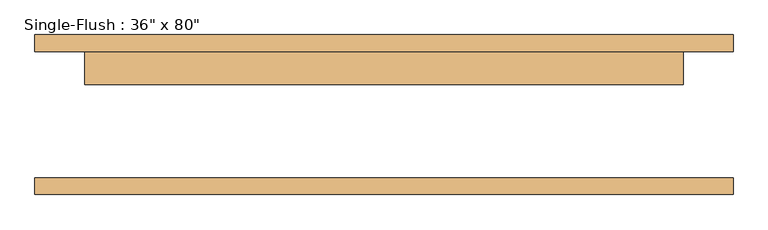
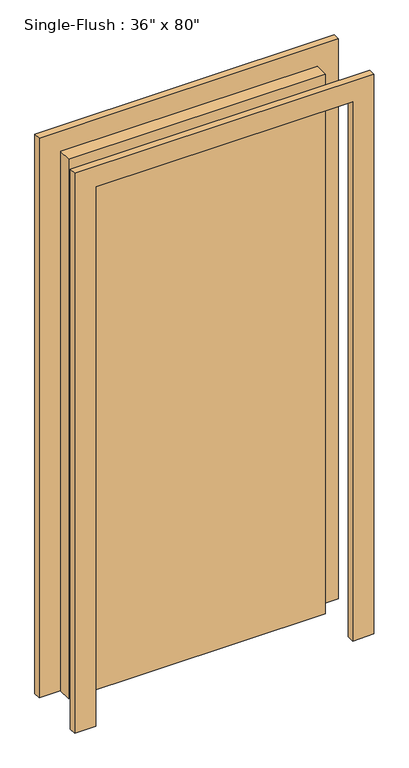
"""IFC4 building model written with IfcOpenShell, lengths in millimetres: door geometry."""

from ifc_helpers import new_model, si_unit, frame, origin, origin_with_axes, place, context, project, spatial, polyline, outline, extrude, source, transform, mapped, element, save


def door_1b7d1446(model_context):
    return source(origin(), model_context, "Body", "SweptSolid", [
        extrude(outline(polyline([(2108.2, -533.4), (0.0, -533.4), (0.0, -457.2), (2032.0, -457.2), (2032.0, 457.2), (0.0, 457.2), (0.0, 533.4), (2108.2, 533.4), (2108.2, -533.4)])), frame((0.0, 96.8375, 0.0), z_axis=(0.0, 1.0, 0.0), x_axis=(0.0, 0.0, 1.0)), (0.0, 0.0, 1.0), 25.4),
        extrude(outline(polyline([(2108.2, 533.4), (2108.2, -533.4), (0.0, -533.4), (0.0, -457.2), (2032.0, -457.2), (2032.0, 457.2), (0.0, 457.2), (0.0, 533.4), (2108.2, 533.4)])), frame((0.0, -122.2375, 0.0), z_axis=(0.0, 1.0, 0.0), x_axis=(0.0, 0.0, 1.0)), (0.0, 0.0, 1.0), 25.4),
        extrude(outline(polyline([(457.2, 46.0375), (-457.2, 46.0375), (-457.2, 96.8375), (457.2, 96.8375), (457.2, 46.0375)])), origin_with_axes(), (0.0, 0.0, 1.0), 2032.0),
    ])


if __name__ == "__main__":
    model = new_model("IFC4")
    model_context = context("Model", 3, world=origin())
    ifc_project = project(units=[si_unit("LENGTHUNIT", "METRE", prefix="MILLI")], contexts=[model_context])
    site = spatial("IfcSite", under=ifc_project)
    building = spatial("IfcBuilding", under=site)
    placement = place(None, origin())
    door_shape = door_1b7d1446(model_context)
    element("IfcDoor", 1, ObjectType="Single-Flush : 36\" x 80\"", at=placement, inside=building, context=model_context, shape_type="MappedRepresentation", body=[
        mapped(door_shape, transform((0.0, 0.0, 0.0), x_axis=(1.0, 0.0, 0.0), y_axis=(0.0, 1.0, 0.0), z_axis=(0.0, 0.0, 1.0))),
    ])
    save(model, "model.ifc")
